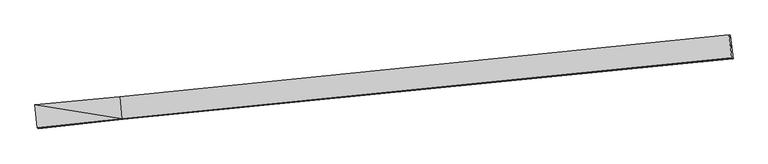
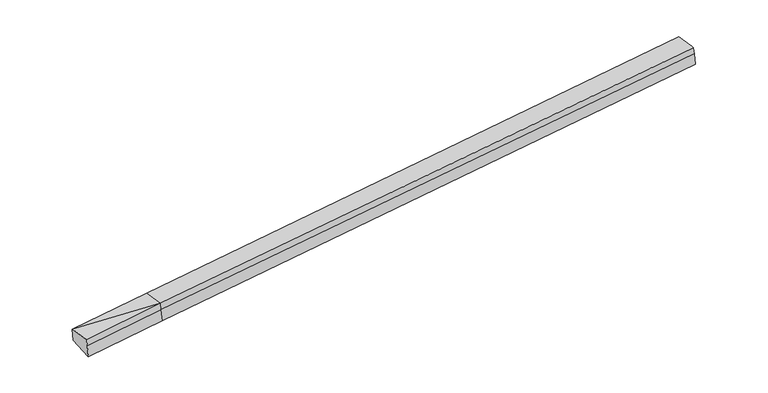
"""IFC4 building model written with IfcOpenShell, lengths in millimetres: proxy geometry."""

import ifcopenshell
import ifcopenshell.guid

model = None  # the IFC model being written
_history = None  # IfcOwnerHistory: only IFC2X3 demands one
_inside = {}  # id of a spatial element -> (the spatial element, [elements in it])
_under = {}  # id of a project, library or spatial element -> (it, [spatial elements below it])
_declared = {}  # id of a project -> (the project, [libraries it declares])
_typed = {}  # id of a type object -> (the type object, [elements of that type])
_made_of = {}  # id of a material, layer set ... -> (it, [elements and type objects made of it])


def new_model(schema):
    """Start an empty IFC model of exactly this schema.

    Asked for "IFC4X3", IfcOpenShell would pick the latest addendum, in which some entities
    have other attributes; the version numbers below select the first issue.
    IFC2X3 requires an IfcOwnerHistory on every rooted entity: one is made here for all.
    """
    global model, _history
    if schema == "IFC4X3":
        model = ifcopenshell.file(schema_version=(4, 3, 0, 0))
    else:
        model = ifcopenshell.file(schema=schema)
    _inside.clear()
    _under.clear()
    _declared.clear()
    _typed.clear()
    _made_of.clear()
    _history = None
    if model.schema == "IFC2X3":
        org = make("IfcOrganization", Name="unknown")
        user = make(
            "IfcPersonAndOrganization",
            ThePerson=make("IfcPerson", FamilyName="unknown"),
            TheOrganization=org,
        )
        app = make(
            "IfcApplication",
            ApplicationDeveloper=org,
            Version="unknown",
            ApplicationFullName="unknown",
            ApplicationIdentifier="unknown",
        )
        _history = make(
            "IfcOwnerHistory",
            OwningUser=user,
            OwningApplication=app,
            ChangeAction="ADDED",
            CreationDate=0,
        )
    return model


def make(cls, **values):
    """One entity of the class cls with the attributes given. An attribute that is None is left unset."""
    return model.create_entity(
        cls, **{name: value for name, value in values.items() if value is not None}
    )


def rooted(cls, **values):
    """An entity with a GlobalId (a new one), such as an element, a storey or a relation."""
    return make(cls, GlobalId=ifcopenshell.guid.new(), OwnerHistory=_history, **values)


def si_unit(unit_type, name, prefix=None):
    """IfcSIUnit, for example si_unit("LENGTHUNIT", "METRE", prefix="MILLI")."""
    return make("IfcSIUnit", UnitType=unit_type, Prefix=prefix, Name=name)


def assignment(units):
    """IfcUnitAssignment: the units of a project."""
    return None if units is None else make("IfcUnitAssignment", Units=units)


def point(xyz):
    """IfcCartesianPoint."""
    return None if xyz is None else make("IfcCartesianPoint", Coordinates=xyz)


def direction(xyz):
    """IfcDirection."""
    return None if xyz is None else make("IfcDirection", DirectionRatios=xyz)


def frame(location, z_axis=None, x_axis=None):
    """IfcAxis2Placement3D, a coordinate frame: its origin and axes. An axis left out is left unset."""
    return make(
        "IfcAxis2Placement3D",
        Location=point(location),
        Axis=direction(z_axis),
        RefDirection=direction(x_axis),
    )


def origin():
    """The frame at (0, 0, 0) with its axes left unset."""
    return frame((0.0, 0.0, 0.0))


def place(relative_to, where):
    """IfcLocalPlacement: puts the frame where relative to a parent placement (None: the world)."""
    return make(
        "IfcLocalPlacement", PlacementRelTo=relative_to, RelativePlacement=where
    )


def context(
    kind, dimensions, precision=None, world=None, true_north=None, identifier=None
):
    """IfcGeometricRepresentationContext, for example the 3D "Model" context."""
    return make(
        "IfcGeometricRepresentationContext",
        ContextIdentifier=identifier,
        ContextType=kind,
        CoordinateSpaceDimension=dimensions,
        Precision=precision,
        WorldCoordinateSystem=world,
        TrueNorth=true_north,
    )


def project(units=None, contexts=None):
    """IfcProject with its units and contexts."""
    return rooted(
        "IfcProject",
        Name="project",
        RepresentationContexts=contexts,
        UnitsInContext=assignment(units),
    )


def spatial(cls, under=None, at=None, **own):
    """A site, building, storey or space (cls), placed at a placement, below another one or the project."""
    s = rooted(cls, ObjectPlacement=at, **own)
    if under is not None:
        _under.setdefault(under.id(), (under, []))[1].append(s)
    return s


def shape(context_of_items, identifier, shape_type, items):
    """IfcShapeRepresentation: the items that make up one representation, for example the "Body"."""
    return make(
        "IfcShapeRepresentation",
        ContextOfItems=context_of_items,
        RepresentationIdentifier=identifier,
        RepresentationType=shape_type,
        Items=items,
    )


def source(mapping_origin, context_of_items, identifier, shape_type, items):
    """IfcRepresentationMap: a shape defined once, which mapped items show again and again."""
    return make(
        "IfcRepresentationMap",
        MappingOrigin=mapping_origin,
        MappedRepresentation=shape(context_of_items, identifier, shape_type, items),
    )


def transform(
    local_origin,
    x_axis=None,
    y_axis=None,
    z_axis=None,
    scale=None,
    scale2=None,
    scale3=None,
    uniform=True,
):
    """IfcCartesianTransformationOperator3D, or its non-uniform kind. x_axis, y_axis, z_axis: its Axis1, 2, 3."""
    if uniform:
        return make(
            "IfcCartesianTransformationOperator3D",
            Axis1=direction(x_axis),
            Axis2=direction(y_axis),
            LocalOrigin=point(local_origin),
            Scale=scale,
            Axis3=direction(z_axis),
        )
    return make(
        "IfcCartesianTransformationOperator3DnonUniform",
        Axis1=direction(x_axis),
        Axis2=direction(y_axis),
        LocalOrigin=point(local_origin),
        Scale=scale,
        Axis3=direction(z_axis),
        Scale2=scale2,
        Scale3=scale3,
    )


def mapped(mapping_source, mapping_target):
    """IfcMappedItem: shows the shape of a source again, moved by a transform."""
    return make(
        "IfcMappedItem", MappingSource=mapping_source, MappingTarget=mapping_target
    )


def made_of(thing, what):
    """Note that an element or type object is made of a material, layer set ...; save() writes the relation."""
    if what is not None:
        _made_of.setdefault(what.id(), (what, []))[1].append(thing)
    return thing


def element(
    cls,
    number,
    at=None,
    inside=None,
    cuts=None,
    type_object=None,
    material=None,
    context=None,
    identifier="Body",
    shape_type=None,
    held_by="IfcProductDefinitionShape",
    body=None,
    shapes=None,
    **own,
):
    """One element of the class cls, such as IfcWall. Its Tag is "e" and its number.

    at: its placement. inside: the storey or other place that contains it. cuts: it is an
    opening in that element (IfcRelVoidsElement). A single representation is given by context,
    identifier, shape_type and body (its items); several are given by shapes. held_by: the class
    of the entity that holds the representations. save() writes the other relations.
    """
    e = rooted(cls, Tag="e%d" % number, ObjectPlacement=at, **own)
    if body is not None:
        shapes = [shape(context, identifier, shape_type, body)]
    if shapes is not None:
        e.Representation = make(held_by, Representations=shapes)
    if inside is not None:
        _inside.setdefault(inside.id(), (inside, []))[1].append(e)
    if cuts is not None:
        rooted(
            "IfcRelVoidsElement", RelatingBuildingElement=cuts, RelatedOpeningElement=e
        )
    if type_object is not None:
        _typed.setdefault(type_object.id(), (type_object, []))[1].append(e)
    return made_of(e, material)


def aggregate(whole, parts):
    """IfcRelAggregates: a whole, such as a stair, and the parts it consists of."""
    return rooted("IfcRelAggregates", RelatingObject=whole, RelatedObjects=parts)


def save(model, path):
    """Write the relations noted so far, then the file.

    IfcRelAggregates (storeys below a building ...), IfcRelContainedInSpatialStructure (elements
    in a storey), IfcRelDefinesByType, IfcRelAssociatesMaterial and IfcRelDeclares: one each for
    every whole, place, type object, material and project.
    """
    for whole, parts in _under.values():
        aggregate(whole, parts)
    for where, things in _inside.values():
        rooted(
            "IfcRelContainedInSpatialStructure",
            RelatedElements=things,
            RelatingStructure=where,
        )
    for kind, things in _typed.values():
        rooted("IfcRelDefinesByType", RelatedObjects=things, RelatingType=kind)
    for what, things in _made_of.values():
        rooted("IfcRelAssociatesMaterial", RelatedObjects=things, RelatingMaterial=what)
    for by, libraries in _declared.values():
        rooted("IfcRelDeclares", RelatingContext=by, RelatedDefinitions=libraries)
    model.write(path)


def plane_surface(at):
    """IfcPlane: the flat surface through the origin of the frame at, square to its z axis."""
    return make("IfcPlane", Position=at)


def spline_surface(u_degree, v_degree, points, u_multiplicities, v_multiplicities, u_knots, v_knots, weights=None):
    """IfcBSplineSurfaceWithKnots; with weights, IfcRationalBSplineSurfaceWithKnots. points: one row for each step in u."""
    own = dict(
        UDegree=u_degree,
        VDegree=v_degree,
        ControlPointsList=[[point(p) for p in row] for row in points],
        SurfaceForm="UNSPECIFIED",
        UClosed=False,
        VClosed=False,
        SelfIntersect=False,
        UMultiplicities=u_multiplicities,
        VMultiplicities=v_multiplicities,
        UKnots=u_knots,
        VKnots=v_knots,
        KnotSpec="UNSPECIFIED",
    )
    if weights is None:
        return make("IfcBSplineSurfaceWithKnots", **own)
    return make("IfcRationalBSplineSurfaceWithKnots", WeightsData=weights, **own)


def advanced_brep(points, edges, surfaces, faces):
    """IfcAdvancedBrep: a solid bounded by faces that lie on surfaces and meet in shared edges.

    An edge is (start, end): straight between two places in points (the first is 0);
    or (start, end, curve); or (start, end, curve, False) where it runs against its curve.
    A face is (place in surfaces, loops), or (place, loops, False) where it looks against
    its surface's normal. A loop lists edges by number (the first is 1), with a minus sign
    where the edge is run from its end to its start. The first loop is the outer one.
    """
    corners = [point(p) for p in points]
    vertices = [make("IfcVertexPoint", VertexGeometry=c) for c in corners]
    made = []
    for start, end, *more in edges:
        made.append(
            make(
                "IfcEdgeCurve",
                EdgeStart=vertices[start],
                EdgeEnd=vertices[end],
                EdgeGeometry=more[0] if more else make("IfcPolyline", Points=[corners[start], corners[end]]),
                SameSense=more[1] if len(more) > 1 else True,
            )
        )
    hull = []
    for where, loops, *sense in faces:
        bounds = []
        for j, loop in enumerate(loops):
            ring = [make("IfcOrientedEdge", EdgeElement=made[abs(k) - 1], Orientation=k > 0) for k in loop]
            bounds.append(
                make(
                    "IfcFaceOuterBound" if j == 0 else "IfcFaceBound",
                    Bound=make("IfcEdgeLoop", EdgeList=ring),
                    Orientation=True,
                )
            )
        hull.append(make("IfcAdvancedFace", Bounds=bounds, FaceSurface=surfaces[where], SameSense=sense[0] if sense else True))
    return make("IfcAdvancedBrep", Outer=make("IfcClosedShell", CfsFaces=hull))


def generic_models_cdaeacc2(model_context):
    return source(origin(), model_context, "Body", "AdvancedBrep", [
        advanced_brep(
        [(-8118.9124686, -2188.9957579, 1204.6736491), (-8146.4454658, -2174.9437226, 1594.9496412), (-5506.1441615, -1918.0538257, 1792.0436273), (-5477.3304087, -1932.7595211, 1383.6131231), (-8077.5991159, -2890.9894379, 1625.5880771), (-5440.1664095, -2604.2643029, 1821.4054618), (-8063.1820284, -2898.347497, 1421.2280846), (-5424.6944132, -2612.1607565, 1602.0922991), (-8035.3559993, -2912.5490871, 1026.7984112), (-5397.0903637, -2626.2490547, 1210.8091532), (13593.5748444, -715.4871397, 2882.3689036), (13620.3459647, -729.1503353, 2502.8924004), (13532.7239133, -6.4838801, 2680.3773383), (13505.1343296, 8.0348534, 3070.7679502), (13578.1028481, -707.5906861, 3101.6820663)],
        [
            (0, 1),
            (1, 2),
            (2, 3),
            (3, 0),
            (1, 4),
            (4, 5),
            (5, 1),
            (4, 6),
            (6, 7),
            (7, 5),
            (6, 8),
            (8, 9),
            (9, 7),
            (8, 0),
            (3, 9),
            (10, 11),
            (11, 12),
            (12, 13),
            (13, 14),
            (14, 10),
            (5, 2),
            (9, 11),
            (10, 7),
            (3, 12),
            (2, 13),
            (5, 14),
        ],
        [
            plane_surface(frame((-8132.6789672, -2181.9697402, 1399.8116451), z_axis=(-0.09361394471961412, 0.9947045101804305, -0.04241894365425914), x_axis=(-0.07032725597532923, 0.0358929712504601, 0.9968780124377277))),
            plane_surface(frame((-8112.0222909, -2532.9665802, 1610.2688591), z_axis=(-0.0777959438085358, 0.03515225316609146, 0.9963493916414494), x_axis=(0.09561993046401299, -0.9945079378614131, 0.042553383281438234))),
            plane_surface(frame((-8070.3905722, -2894.6684674, 1523.4080808), z_axis=(0.1048081080015088, -0.9935551551627394, 0.043167280974011915), x_axis=(0.07032725597536708, -0.035892971250455236, -0.9968780124377251))),
            plane_surface(frame((-8049.2690139, -2905.448292, 1224.0132479), z_axis=(0.10480810800150879, -0.9935551551627391, 0.04316728097401302), x_axis=(0.07032725597533128, -0.03589297125046023, -0.9968780124377274))),
            spline_surface(1, 1, [[(-8035.3559993, -2912.5490871, 1026.7984112), (-5397.0903637, -2626.2490547, 1210.8091532)], [(-8118.9124686, -2188.9957579, 1204.6736491), (-5477.3304087, -1932.7595211, 1383.6131231)]], [2, 2], [2, 2], [0.0, 1.0], [0.0, 1.0]),
            plane_surface(frame((13559.0767639, -358.797512, 2838.9299388), z_axis=(0.9923624512715243, 0.10404835640018688, 0.06626239383534985), x_axis=(0.0703272559753306, -0.035892971250460357, -0.9968780124377274))),
            plane_surface(frame((-8094.5782624, -2541.8695014, 1363.0024446), z_axis=(-0.9929304638115591, -0.09831406890904876, -0.06650893090036204), x_axis=(0.11144323253400504, -0.9650374487755453, -0.23724065499647948))),
            plane_surface(frame((-8146.4454658, -2174.9437226, 1594.9496412), z_axis=(-0.07779594380853594, 0.03515225316609061, 0.9963493916414494), x_axis=(0.09561993046400054, -0.9945079378614144, 0.042553383281436465))),
            plane_surface(frame((-5410.8923885, -2619.2049056, 1406.4507261), z_axis=(0.0963067933951687, -0.9944396885506298, 0.04259938240475795), x_axis=(0.07032725597533236, -0.03589297125046017, -0.9968780124377273))),
            spline_surface(1, 1, [[(-5397.0903637, -2626.2490547, 1210.8091532), (13620.3459647, -729.1503353, 2502.8924004)], [(-5477.3304087, -1932.7595211, 1383.6131231), (13532.7239133, -6.4838801, 2680.3773383)]], [2, 2], [2, 2], [0.0, 1.0], [0.0, 1.0]),
            spline_surface(1, 1, [[(-5477.3304087, -1932.7595211, 1383.6131231), (13532.7239133, -6.4838801, 2680.3773383)], [(-5506.1441615, -1918.0538257, 1792.0436273), (13505.1343296, 8.0348534, 3070.7679502)]], [2, 2], [2, 2], [0.0, 1.0], [0.0, 1.0]),
            spline_surface(1, 1, [[(-5506.1441615, -1918.0538257, 1792.0436273), (13505.1343296, 8.0348534, 3070.7679502)], [(-5440.1664095, -2604.2643029, 1821.4054618), (13578.1028481, -707.5906861, 3101.6820663)]], [2, 2], [2, 2], [0.0, 1.0], [0.0, 1.0]),
            plane_surface(frame((-5432.4304114, -2608.2125297, 1711.7488804), z_axis=(0.09630679339516876, -0.9944396885506298, 0.04259938240475798), x_axis=(0.07032725597532753, -0.03589297125046068, -0.9968780124377277))),
        ],
        [
            (0, [[1, 2, 3, 4]]),
            (1, [[5, 6, 7]]),
            (2, [[8, 9, 10, -6]]),
            (3, [[11, 12, 13, -9]]),
            (4, [[14, -4, 15, -12]]),
            (5, [[16, 17, 18, 19, 20]]),
            (6, [[-14, -11, -8, -5, -1]]),
            (7, [[21, -2, -7]]),
            (8, [[-13, 22, -16, 23]]),
            (9, [[-15, 24, -17, -22]]),
            (10, [[-3, 25, -18, -24]]),
            (11, [[-21, 26, -19, -25]]),
            (12, [[-10, -23, -20, -26]]),
        ],
    ),
    ])


if __name__ == "__main__":
    model = new_model("IFC4")
    model_context = context("Model", 3, world=origin())
    ifc_project = project(units=[si_unit("LENGTHUNIT", "METRE", prefix="MILLI")], contexts=[model_context])
    site = spatial("IfcSite", under=ifc_project)
    building = spatial("IfcBuilding", under=site)
    placement = place(None, origin())
    generic_models_shape = generic_models_cdaeacc2(model_context)
    element("IfcBuildingElementProxy", 1, Name="Generic Models", at=placement, inside=building, context=model_context, shape_type="MappedRepresentation", body=[
        mapped(generic_models_shape, transform((0.0, 0.0, 0.0), x_axis=(1.0, 0.0, 0.0), y_axis=(0.0, 1.0, 0.0), z_axis=(0.0, 0.0, 1.0))),
    ])
    save(model, "model.ifc")
